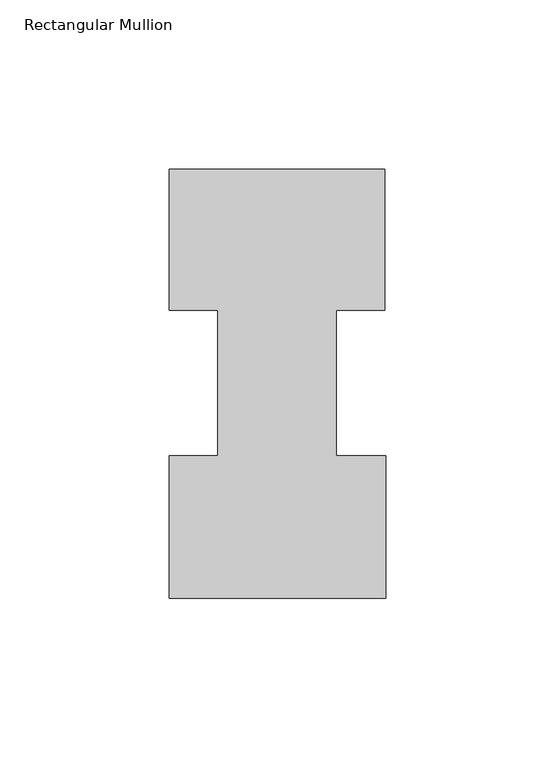
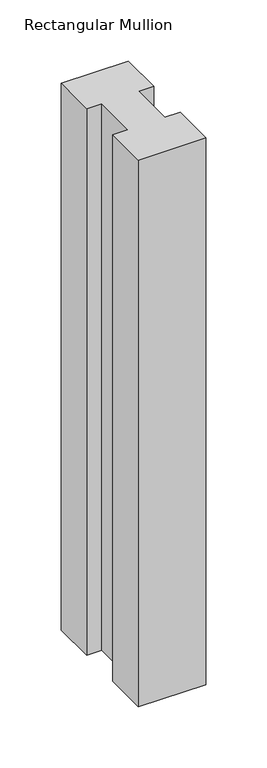
"""IFC4 building model written with IfcOpenShell, lengths in millimetres: member geometry, Rectangular Mullion."""

from ifc_helpers import new_model, si_unit, frame, origin, place, context, project, spatial, polyline, outline, extrude, source, transform, mapped, element, save


def rectangular_mullion_213dfbc3(model_context):
    return source(origin(), model_context, "Body", "SweptSolid", [
        extrude(outline(polyline([(-49.21504, 85.1296875), (-63.5, 85.1296875), (-63.5, 126.7349164), (0.0, 126.7349164), (0.0, 85.1296875), (-14.2748, 85.1296875), (-14.2748, 42.2799164), (0.2408142, 42.2799164), (0.2408142, 0.2429164), (-63.5, 0.2429164), (-63.5, 42.2799164), (-49.21504, 42.2799164), (-49.21504, 85.1296875)])), frame((0.0, 0.0, -546.1), z_axis=(0.0, 0.0, 1.0), x_axis=(1.0, 0.0, 0.0)), (0.0, 0.0, 1.0), 546.1),
    ])


if __name__ == "__main__":
    model = new_model("IFC4")
    model_context = context("Model", 3, world=origin())
    ifc_project = project(units=[si_unit("LENGTHUNIT", "METRE", prefix="MILLI")], contexts=[model_context])
    site = spatial("IfcSite", under=ifc_project)
    building = spatial("IfcBuilding", under=site)
    placement = place(None, origin())
    rectangular_mullion_shape = rectangular_mullion_213dfbc3(model_context)
    element("IfcMember", 1, ObjectType="Rectangular Mullion", at=placement, inside=building, context=model_context, shape_type="MappedRepresentation", body=[
        mapped(rectangular_mullion_shape, transform((0.0, 0.0, 0.0), x_axis=(1.0, 0.0, 0.0), y_axis=(0.0, 1.0, 0.0), z_axis=(0.0, 0.0, 1.0))),
    ])
    save(model, "model.ifc")
